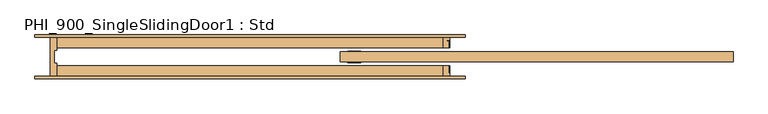
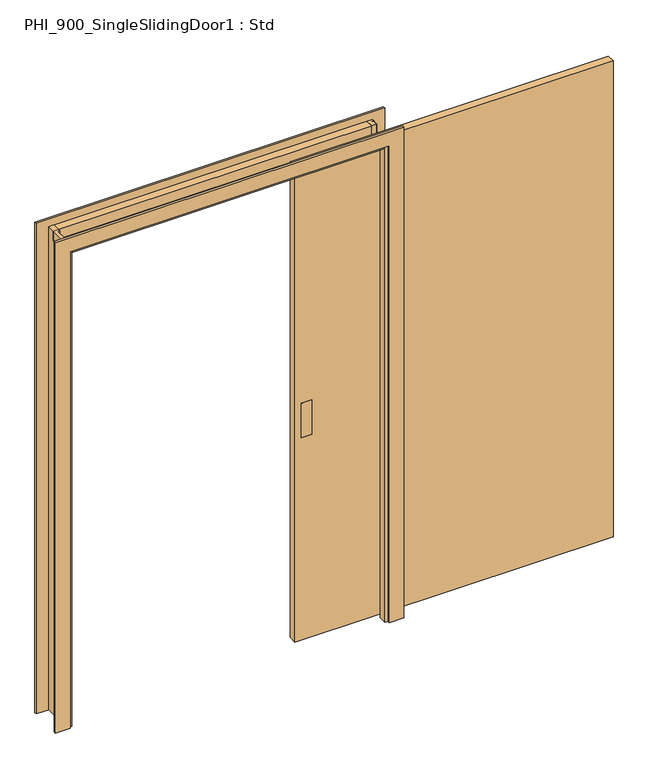
"""IFC4 building model written with IfcOpenShell, lengths in millimetres: door geometry, PHI_900_SingleSlidingDoor1 : Std."""

from ifc_helpers import new_model, si_unit, frame, origin, origin_with_axes, place, context, project, spatial, polyline, outline, extrude, source, transform, mapped, element, save


def phi_900_singleslidingdoor1_std_45f01d49(model_context):
    return source(origin(), model_context, "Body", "SweptSolid", [
        extrude(outline(polyline([(2000.0, -20.0), (475.0, -20.0), (475.0, 20.0), (2000.0, 20.0), (2000.0, -20.0)])), frame((0.0, 0.0, 7.0), z_axis=(0.0, 0.0, 1.0), x_axis=(1.0, 0.0, 0.0)), (0.0, 0.0, 1.0), 2410.0),
        extrude(outline(polyline([(555.1157696, 22.5), (555.1157696, 20.0), (505.0, 20.0), (505.0, 22.5), (555.1157696, 22.5)])), frame((0.0, 0.0, 1033.6454934), z_axis=(0.0, 0.0, 1.0), x_axis=(1.0, 0.0, 0.0)), (0.0, 0.0, 1.0), 173.3545066),
        extrude(outline(polyline([(555.1157696, -20.0), (555.1157696, -22.5), (505.0, -22.5), (505.0, -20.0), (555.1157696, -20.0)])), frame((0.0, 0.0, 1033.6454934), z_axis=(0.0, 0.0, 1.0), x_axis=(1.0, 0.0, 0.0)), (0.0, 0.0, 1.0), 173.3545066),
        extrude(outline(polyline([(0.0, -710.0), (0.0, -640.0), (2415.0, -640.0), (2415.0, 890.0), (0.0, 890.0), (0.0, 960.0), (2485.0, 960.0), (2485.0, -710.0), (0.0, -710.0)])), frame((0.0, 75.1, 0.0), z_axis=(0.0, 1.0, 0.0), x_axis=(0.0, 0.0, 1.0)), (0.0, 0.0, 1.0), 10.0),
        extrude(outline(polyline([(0.0, -710.0), (0.0, -640.0), (2415.0, -640.0), (2415.0, 890.0), (0.0, 890.0), (0.0, 960.0), (2485.0, 960.0), (2485.0, -710.0), (0.0, -710.0)])), frame((0.0, -85.1, 0.0), z_axis=(0.0, 1.0, 0.0), x_axis=(0.0, 0.0, 1.0)), (0.0, 0.0, 1.0), 10.0),
        extrude(outline(polyline([(-650.0, 75.1), (-624.9, 75.1), (-624.9, 24.9), (-634.9, 24.9), (-634.9, -24.9), (-624.9, -24.9), (-624.9, -75.1), (-650.0, -75.1), (-650.0, 75.1)])), origin_with_axes(), (0.0, 0.0, 1.0), 2448.0),
        extrude(outline(polyline([(874.9, 75.1), (900.0, 75.1), (900.0, 64.5), (888.0, 64.5), (888.0, 61.3), (897.1, 61.3), (897.1, 34.9), (874.9, 34.9), (874.9, 75.1)])), origin_with_axes(), (0.0, 0.0, 1.0), 2448.0),
        extrude(outline(polyline([(874.9, -75.1), (874.9, -34.9), (897.1, -34.9), (897.1, -61.3), (888.0, -61.3), (888.0, -64.5), (900.0, -64.5), (900.0, -75.1), (874.9, -75.1)])), origin_with_axes(), (0.0, 0.0, 1.0), 2448.0),
        extrude(outline(polyline([(900.0, -34.9), (900.0, -75.1), (-650.0, -75.1), (-650.0, -34.9), (900.0, -34.9)])), frame((0.0, 0.0, 2399.9), z_axis=(0.0, 0.0, 1.0), x_axis=(1.0, 0.0, 0.0)), (0.0, 0.0, 1.0), 48.1),
        extrude(outline(polyline([(900.0, 75.1), (900.0, 34.9), (-650.0, 34.9), (-650.0, 75.1), (900.0, 75.1)])), frame((0.0, 0.0, 2399.9), z_axis=(0.0, 0.0, 1.0), x_axis=(1.0, 0.0, 0.0)), (0.0, 0.0, 1.0), 48.1),
    ])


if __name__ == "__main__":
    model = new_model("IFC4")
    model_context = context("Model", 3, world=origin())
    ifc_project = project(units=[si_unit("LENGTHUNIT", "METRE", prefix="MILLI")], contexts=[model_context])
    site = spatial("IfcSite", under=ifc_project)
    building = spatial("IfcBuilding", under=site)
    placement = place(None, origin())
    phi_900_singleslidingdoor1_std_shape = phi_900_singleslidingdoor1_std_45f01d49(model_context)
    element("IfcDoor", 1, ObjectType="PHI_900_SingleSlidingDoor1 : Std", at=placement, inside=building, context=model_context, shape_type="MappedRepresentation", body=[
        mapped(phi_900_singleslidingdoor1_std_shape, transform((0.0, 0.0, 0.0), x_axis=(1.0, 0.0, 0.0), y_axis=(0.0, 1.0, 0.0), z_axis=(0.0, 0.0, 1.0))),
    ])
    save(model, "model.ifc")
